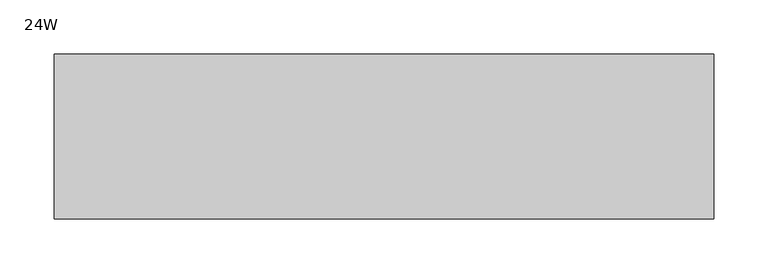
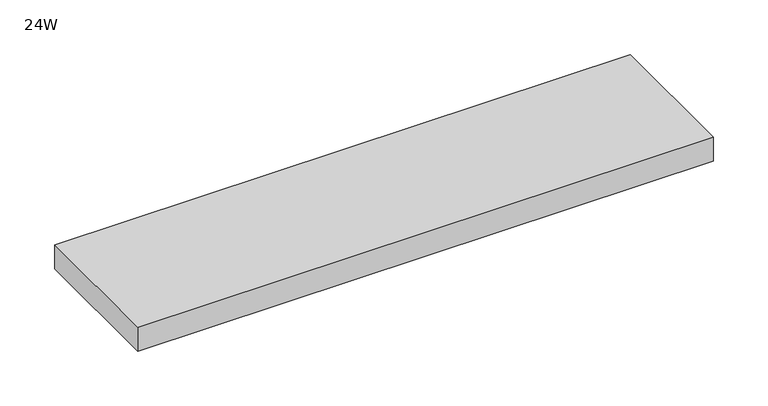
"""IFC4 building model written with IfcOpenShell, lengths in millimetres: furniture geometry, 24W."""

from ifc_helpers import new_model, si_unit, frame, origin, place, context, project, spatial, polyline, outline, extrude, source, transform, mapped, element, save


def furniture_24w_32ee50ca(model_context):
    return source(origin(), model_context, "Body", "SweptSolid", [
        extrude(outline(polyline([(609.6, 0.0), (609.6, -152.4), (0.0, -152.4), (0.0, 0.0), (609.6, 0.0)])), frame((0.0, 0.0, 152.4), z_axis=(0.0, 0.0, 1.0), x_axis=(1.0, 0.0, 0.0)), (0.0, 0.0, 1.0), 26.924),
    ])


if __name__ == "__main__":
    model = new_model("IFC4")
    model_context = context("Model", 3, world=origin())
    ifc_project = project(units=[si_unit("LENGTHUNIT", "METRE", prefix="MILLI")], contexts=[model_context])
    site = spatial("IfcSite", under=ifc_project)
    building = spatial("IfcBuilding", under=site)
    placement = place(None, origin())
    furniture_24w_shape = furniture_24w_32ee50ca(model_context)
    element("IfcFurniture", 1, ObjectType="24W", at=placement, inside=building, context=model_context, shape_type="MappedRepresentation", body=[
        mapped(furniture_24w_shape, transform((0.0, 0.0, 0.0), x_axis=(1.0, 0.0, 0.0), y_axis=(0.0, 1.0, 0.0), z_axis=(0.0, 0.0, 1.0))),
    ])
    save(model, "model.ifc")
